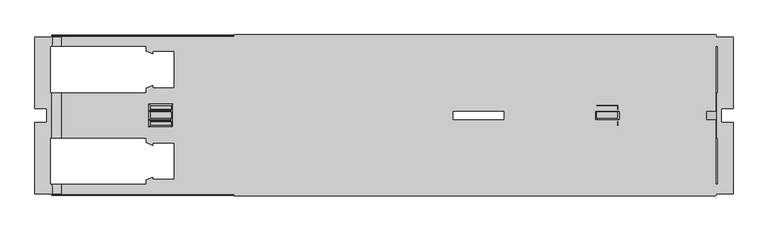
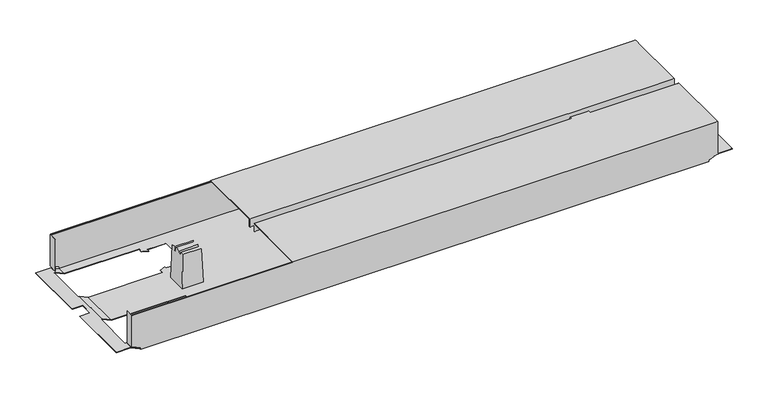
"""IFC4 building model written with IfcOpenShell, lengths in millimetres: furniture geometry."""

from ifc_helpers import new_model, si_unit, origin, place, context, project, spatial, triangles, source, transform, mapped, element, save


def furniture_b12dd6f7(model_context):
    return source(origin(), model_context, "Body", "Tessellation", [
        triangles([(3556.4206634, 4070.0568829, 526.9999909), (3556.4206634, 4070.0568829, 507.9999879), (4584.4205607, 4070.0568829, 526.9999909), (4584.4205607, 4070.0568829, 507.9999879), (3556.4206634, 3908.9568779, 526.9999909), (4584.4205607, 3908.9568779, 526.9999909), (3556.4206634, 3908.9568779, 507.9999879), (4584.4205607, 3908.9568779, 507.9999879), (3556.4206634, 3907.9568845, 507.9999879), (4584.4205607, 3907.9568845, 507.9999879), (3556.4206634, 3907.9568845, 528.0000026), (4584.4205607, 3907.9568845, 528.0000026), (3556.4206634, 4071.0568854, 528.0000026), (4584.4205607, 4071.0568854, 528.0000026), (3556.4206634, 4071.0568854, 507.9999879), (4584.4205607, 4071.0568854, 507.9999879), (3556.4206634, 3888.1568939, 526.9999909), (3556.4206634, 3888.1568939, 507.9999879), (4584.4205607, 3888.1568939, 526.9999909), (4584.4205607, 3888.1568939, 507.9999879), (3556.4206634, 3727.0568799, 526.9999909), (4584.4205607, 3727.0568799, 526.9999909), (3556.4206634, 3727.0568799, 507.9999879), (4584.4205607, 3727.0568799, 507.9999879), (3556.4206634, 3726.0568683, 507.9999879), (4584.4205607, 3726.0568683, 507.9999879), (3556.4206634, 3726.0568683, 528.0000026), (4584.4205607, 3726.0568683, 528.0000026), (3556.4206634, 3889.1568692, 528.0000026), (4584.4205607, 3889.1568692, 528.0000026), (3556.4206634, 3889.1568692, 507.9999879), (4584.4205607, 3889.1568692, 507.9999879), (3188.9205661, 3727.0568799, 432.000012), (4563.9206492, 3727.0568799, 432.000012), (3188.9205661, 3727.0568799, 435.9999859), (4563.9206492, 3727.0568799, 435.9999859), (3168.9206241, 3727.0568799, 445.3260155), (4583.9205913, 3727.0568799, 445.3260155), (3168.9206241, 3727.0568799, 526.0000156), (4583.9205913, 3727.0568799, 526.0000156), (4585.9204692, 3727.0568799, 445.3260155), (4585.9204692, 3727.0568799, 526.0000156), (3166.9206008, 3727.0568799, 526.0000156), (3166.9206008, 3727.0568799, 445.3260155), (4133.5204669, 3937.7568824, 432.000012), (4323.8204791, 3839.7568685, 432.000012), (4133.5204669, 3859.3568713, 432.000012), (4323.8204791, 3761.3568938, 432.000012), (4073.3206531, 3848.5568765, 432.000012), (3429.0205909, 3761.3568938, 432.000012), (4023.3205073, 3848.5568765, 432.000012), (3429.0205909, 3839.7568685, 432.000012), (3429.0205909, 3957.3568851, 432.000012), (3368.8206317, 3946.5568903, 432.000012), (3382.6206614, 3957.3568851, 432.000012), (3368.8206317, 3956.8408738, 432.000012), (3382.6206614, 3962.5568766, 432.000012), (4087.1206828, 3937.7568824, 432.000012), (4073.3206531, 3948.5568772, 432.000012), (4323.8204791, 4035.756878, 432.000012), (4323.8204791, 3957.3568851, 432.000012), (4087.1206828, 3932.5568727, 432.000012), (4073.3206531, 3938.1748801, 432.000012), (3429.0205909, 4035.756878, 432.000012), (4023.3205073, 3948.5568772, 432.000012), (4087.1206828, 3859.3568713, 432.000012), (4073.3206531, 3858.9388736, 432.000012), (4087.1206828, 3864.5568809, 432.000012), (3368.8206317, 3750.556899, 432.000012), (4384.0205836, 3750.556899, 432.000012), (4563.9206492, 3730.5568843, 432.000012), (4564.9205882, 3750.556899, 432.000012), (4564.9205882, 3730.5568843, 432.000012), (3188.9205661, 3730.5568843, 432.000012), (3187.9206271, 3750.556899, 432.000012), (3187.9206271, 3730.5568843, 432.000012), (3368.8206317, 3760.8408643, 432.000012), (3382.6206614, 3761.3568938, 432.000012), (4370.2205539, 3761.3568938, 432.000012), (3382.6206614, 3766.5568671, 432.000012), (3368.8206317, 3850.5568634, 432.000012), (3382.6206614, 3839.7568685, 432.000012), (3368.8206317, 3840.2728981, 432.000012), (3382.6206614, 3834.5568952, 432.000012), (3187.9206271, 3850.5568634, 432.000012), (3187.9206271, 3946.5568903, 432.000012), (3382.6206614, 4035.756878, 432.000012), (3368.8206317, 4046.556882, 432.000012), (4384.0205836, 4046.556882, 432.000012), (4370.2205539, 4035.756878, 432.000012), (4384.0205836, 4036.2728894, 432.000012), (4370.2205539, 4030.5568866, 432.000012), (3382.6206614, 4030.5568866, 432.000012), (3368.8206317, 4036.2728894, 432.000012), (3187.9206271, 4046.556882, 432.000012), (3188.9205661, 4066.5568785, 432.000012), (3188.9205661, 4070.0568829, 432.000012), (4563.9206492, 4070.0568829, 432.000012), (3187.9206271, 4066.5568785, 432.000012), (4563.9206492, 4066.5568785, 432.000012), (4564.9205882, 4046.556882, 432.000012), (4564.9205882, 4066.5568785, 432.000012), (4370.2205539, 3957.3568851, 432.000012), (4384.0205836, 3946.5568903, 432.000012), (4384.0205836, 3850.5568634, 432.000012), (4370.2205539, 3839.7568685, 432.000012), (4384.0205836, 3840.2728981, 432.000012), (4370.2205539, 3834.5568952, 432.000012), (4370.2205539, 3962.5568766, 432.000012), (4384.0205836, 3956.8408738, 432.000012), (4564.9205882, 3946.5568903, 432.000012), (4564.9205882, 3850.5568634, 432.000012), (4370.2205539, 3766.5568671, 432.000012), (4384.0205836, 3760.8408643, 432.000012), (4133.5204669, 3859.3568713, 432.9999873), (4323.8204791, 3957.3568851, 432.9999873), (4133.5204669, 3937.7568824, 432.9999873), (4323.8204791, 4035.756878, 432.9999873), (4073.3206531, 3948.5568772, 432.9999873), (3429.0205909, 4035.756878, 432.9999873), (4023.3205073, 3948.5568772, 432.9999873), (3429.0205909, 3957.3568851, 432.9999873), (3429.0205909, 3839.7568685, 432.9999873), (3368.8206317, 3850.5568634, 432.9999873), (3382.6206614, 3839.7568685, 432.9999873), (3368.8206317, 3840.2728981, 432.9999873), (3382.6206614, 3834.5568952, 432.9999873), (4087.1206828, 3859.3568713, 432.9999873), (4073.3206531, 3848.5568765, 432.9999873), (4323.8204791, 3761.3568938, 432.9999873), (4323.8204791, 3839.7568685, 432.9999873), (4087.1206828, 3864.5568809, 432.9999873), (4073.3206531, 3858.9388736, 432.9999873), (3429.0205909, 3761.3568938, 432.9999873), (4023.3205073, 3848.5568765, 432.9999873), (4087.1206828, 3937.7568824, 432.9999873), (4073.3206531, 3938.1748801, 432.9999873), (4087.1206828, 3932.5568727, 432.9999873), (4564.6985087, 4046.556882, 432.9999873), (4563.9206492, 4066.5568785, 432.9999873), (4384.0205836, 4046.556882, 432.9999873), (4563.9206492, 4069.0568803, 432.9999873), (3368.8206317, 4046.556882, 432.9999873), (3188.9205661, 4069.0568803, 432.9999873), (3188.9205661, 4066.5568785, 432.9999873), (4564.6985087, 4066.5568785, 432.9999873), (3188.1425612, 4066.5568785, 432.9999873), (3188.1425612, 4046.556882, 432.9999873), (3368.8206317, 4036.2728894, 432.9999873), (3382.6206614, 4035.756878, 432.9999873), (4370.2205539, 4035.756878, 432.9999873), (3382.6206614, 4030.5568866, 432.9999873), (3368.8206317, 3946.5568903, 432.9999873), (3382.6206614, 3957.3568851, 432.9999873), (3368.8206317, 3956.8408738, 432.9999873), (3382.6206614, 3962.5568766, 432.9999873), (3188.1425612, 3946.5568903, 432.9999873), (3188.1425612, 3850.5568634, 432.9999873), (3382.6206614, 3761.3568938, 432.9999873), (3368.8206317, 3750.556899, 432.9999873), (4384.0205836, 3750.556899, 432.9999873), (4370.2205539, 3761.3568938, 432.9999873), (4384.0205836, 3760.8408643, 432.9999873), (4370.2205539, 3766.5568671, 432.9999873), (3382.6206614, 3766.5568671, 432.9999873), (3368.8206317, 3760.8408643, 432.9999873), (3188.1425612, 3750.556899, 432.9999873), (3188.9205661, 3730.5568843, 432.9999873), (3188.9205661, 3728.0568915, 432.9999873), (4563.9206492, 3728.0568915, 432.9999873), (3188.1425612, 3730.5568843, 432.9999873), (4563.9206492, 3730.5568843, 432.9999873), (4564.6985087, 3750.556899, 432.9999873), (4564.6985087, 3730.5568843, 432.9999873), (4370.2205539, 3839.7568685, 432.9999873), (4384.0205836, 3850.5568634, 432.9999873), (4384.0205836, 3946.5568903, 432.9999873), (4370.2205539, 3957.3568851, 432.9999873), (4384.0205836, 3956.8408738, 432.9999873), (4370.2205539, 3962.5568766, 432.9999873), (4370.2205539, 3834.5568952, 432.9999873), (4384.0205836, 3840.2728981, 432.9999873), (4564.6985087, 3850.5568634, 432.9999873), (4564.6985087, 3946.5568903, 432.9999873), (4370.2205539, 4030.5568866, 432.9999873), (4384.0205836, 4036.2728894, 432.9999873), (3188.9205661, 3728.0568915, 435.9999859), (4563.9206492, 3728.0568915, 435.9999859), (3168.9206241, 3728.0568915, 445.3260155), (4583.9205913, 3728.0568915, 445.3260155), (4583.9205913, 3728.0568915, 511.9999981), (4584.9205302, 3728.0568915, 445.3260155), (4584.9205302, 3728.0568915, 526.0000156), (4583.9205913, 3728.0568915, 526.0000156), (3168.9206241, 3728.0568915, 511.9999981), (3167.9205398, 3728.0568915, 445.3260155), (3167.9205398, 3728.0568915, 526.0000156), (3168.9206241, 3728.0568915, 526.0000156), (3168.9206241, 4068.0568778, 526.0000156), (4583.9205913, 4068.0568778, 526.0000156), (3168.9206241, 4068.3498831, 526.7069856), (4583.9205913, 4068.3498831, 526.7069856), (3168.9206241, 4069.0568803, 526.9999909), (4583.9205913, 4069.0568803, 526.9999909), (3168.9206241, 4069.7638775, 526.7069856), (4583.9205913, 4069.7638775, 526.7069856), (3168.9206241, 4070.0568829, 526.0000156), (4583.9205913, 4070.0568829, 526.0000156), (3168.9206241, 4068.0568778, 511.9999981), (4583.9205913, 4068.0568778, 511.9999981), (3168.9206241, 4069.0568803, 511.9999981), (4583.9205913, 4069.0568803, 511.9999981), (3168.9206241, 3729.0568668, 511.9999981), (4583.9205913, 3729.0568668, 511.9999981), (3168.9206241, 3729.0568668, 526.0000156), (4583.9205913, 3729.0568668, 526.0000156), (3168.9206241, 3727.3498853, 526.7069856), (4583.9205913, 3727.3498853, 526.7069856), (3168.9206241, 3728.0568915, 526.9999909), (4583.9205913, 3728.0568915, 526.9999909), (3168.9206241, 3728.7638978, 526.7069856), (4583.9205913, 3728.7638978, 526.7069856), (3168.9206241, 4070.0568829, 445.3260155), (3166.9206008, 4070.0568829, 445.3260155), (3166.9206008, 4070.0568829, 526.0000156), (4583.9205913, 4070.0568829, 445.3260155), (4585.9204692, 4070.0568829, 526.0000156), (4585.9204692, 4070.0568829, 445.3260155), (3188.9205661, 4070.0568829, 435.9999859), (4563.9206492, 4070.0568829, 435.9999859), (4583.9205913, 4069.0568803, 445.3260155), (3168.9206241, 4069.0568803, 445.3260155), (4563.9206492, 4069.0568803, 435.9999859), (3188.9205661, 4069.0568803, 435.9999859), (4584.9205302, 4069.0568803, 445.3260155), (4584.9205302, 4069.0568803, 526.0000156), (4583.9205913, 4069.0568803, 526.0000156), (3167.9205398, 4069.0568803, 445.3260155), (3167.9205398, 4069.0568803, 526.0000156), (3168.9206241, 4069.0568803, 526.0000156), (4586.3655002, 3850.5568634, 441.999983), (4586.3655002, 3946.5568903, 441.999983), (4589.0205707, 3850.5568634, 441.999983), (4589.0205707, 3946.5568903, 441.999983), (4596.9206698, 3913.5568879, 441.999983), (4589.0205707, 4046.556882, 441.999983), (4621.9205974, 4066.5568785, 441.999983), (4586.3655002, 4066.5568785, 441.999983), (4586.3655002, 4046.556882, 441.999983), (4621.9205974, 3913.5568879, 441.999983), (4596.9206698, 3883.556884, 441.999983), (4589.0205707, 3750.556899, 441.999983), (4621.9205974, 3730.5568843, 441.999983), (4586.3655002, 3730.5568843, 441.999983), (4621.9205974, 3883.556884, 441.999983), (4586.3655002, 3750.556899, 441.999983), (4589.0205707, 3850.5568634, 442.9999947), (4589.0205707, 3750.556899, 442.9999947), (4586.1437114, 3946.5568903, 442.9999947), (4586.1437114, 3850.5568634, 442.9999947), (4589.0205707, 4046.556882, 442.9999947), (4589.0205707, 3946.5568903, 442.9999947), (4596.9206698, 3913.5568879, 442.9999947), (4621.9205974, 4066.5568785, 442.9999947), (4586.1437114, 4066.5568785, 442.9999947), (4596.9206698, 3883.556884, 442.9999947), (4621.9205974, 3730.5568843, 442.9999947), (4586.1437114, 3730.5568843, 442.9999947), (4586.1437114, 3750.556899, 442.9999947), (4621.9205974, 3883.556884, 442.9999947), (4621.9205974, 3913.5568879, 442.9999947), (4586.1437114, 4046.556882, 442.9999947), (4584.9205302, 4050.0568773, 526.0000156), (4584.9205302, 4050.0568773, 445.3260155), (4585.9204692, 4050.0568773, 445.3260155), (4585.9204692, 4050.0568773, 526.0000156), (4584.9205302, 3747.0568946, 445.3260155), (4584.9205302, 3747.0568946, 526.0000156), (4585.9204692, 3747.0568946, 445.3260155), (4585.9204692, 3747.0568946, 526.0000156), (3166.9206008, 3747.0568946, 526.0000156), (3166.9206008, 3747.0568946, 445.3260155), (3167.9205398, 3747.0568946, 526.0000156), (3167.9205398, 3747.0568946, 445.3260155), (3166.9206008, 4050.0568773, 445.3260155), (3166.9206008, 4050.0568773, 526.0000156), (3167.9205398, 4050.0568773, 445.3260155), (3167.9205398, 4050.0568773, 526.0000156), (3166.6976493, 3946.5568903, 442.9999947), (3166.6976493, 3850.5568634, 442.9999947), (3166.4755698, 3850.5568634, 441.999983), (3166.4755698, 3946.5568903, 441.999983), (3163.8206447, 3750.556899, 441.999983), (3155.9205455, 3883.556884, 441.999983), (3163.8206447, 3850.5568634, 441.999983), (3155.9205455, 3913.5568879, 441.999983), (3163.8206447, 3946.5568903, 441.999983), (3163.8206447, 4046.556882, 441.999983), (3130.920618, 4066.5568785, 441.999983), (3166.4755698, 4066.5568785, 441.999983), (3166.4755698, 3750.556899, 441.999983), (3166.4755698, 3730.5568843, 441.999983), (3130.920618, 3730.5568843, 441.999983), (3130.920618, 3883.556884, 441.999983), (3130.920618, 3913.5568879, 441.999983), (3166.4755698, 4046.556882, 441.999983), (3130.920618, 3883.556884, 442.9999947), (3130.920618, 3730.5568843, 442.9999947), (3155.9205455, 3883.556884, 442.9999947), (3163.8206447, 3750.556899, 442.9999947), (3163.8206447, 3850.5568634, 442.9999947), (3166.6976493, 3730.5568843, 442.9999947), (3166.6976493, 3750.556899, 442.9999947), (3163.8206447, 3946.5568903, 442.9999947), (3155.9205455, 3913.5568879, 442.9999947), (3163.8206447, 4046.556882, 442.9999947), (3130.920618, 4066.5568785, 442.9999947), (3166.6976493, 4066.5568785, 442.9999947), (3166.6976493, 4046.556882, 442.9999947), (3130.920618, 3913.5568879, 442.9999947), (4375.9524714, 3891.6558809, 519.5000127), (4376.301578, 3889.656875, 509.5000053), (4375.9524714, 3905.4578728, 519.5000127), (4376.301578, 3907.4568786, 509.5000053), (4378.9206042, 3874.0568825, 433.4999931), (4378.9206042, 3923.0568894, 433.4999931), (4376.301578, 3887.6568881, 509.5000053), (4375.9876437, 3876.9898793, 518.500001), (4375.9876437, 3885.85787, 518.500001), (4376.301578, 3909.4568838, 509.5000053), (4375.9876437, 3920.1238744, 518.500001), (4375.9876437, 3911.2558837, 518.500001), (4330.8886523, 3891.6558809, 519.5000127), (4330.8886523, 3905.4578728, 519.5000127), (4330.5395457, 3889.656875, 509.5000053), (4330.5395457, 3907.4568786, 509.5000053), (4327.9205195, 3874.0568825, 433.4999931), (4327.9205195, 3923.0568894, 433.4999931), (4330.5395457, 3909.4568838, 509.5000053), (4330.8534801, 3920.1238744, 518.500001), (4330.8534801, 3911.2558837, 518.500001), (4330.5395457, 3887.6568881, 509.5000053), (4330.8534801, 3876.9898793, 518.500001), (4330.8534801, 3885.85787, 518.500001), (3421.952563, 3891.6558809, 519.5000127), (3422.3015243, 3889.656875, 509.5000053), (3421.952563, 3905.4578728, 519.5000127), (3422.3015243, 3907.4568786, 509.5000053), (3424.9205504, 3874.0568825, 433.4999931), (3424.9205504, 3923.0568894, 433.4999931), (3422.3015243, 3887.6568881, 509.5000053), (3421.9875899, 3876.9898793, 518.500001), (3421.9875899, 3885.85787, 518.500001), (3422.3015243, 3909.4568838, 509.5000053), (3421.9875899, 3920.1238744, 518.500001), (3421.9875899, 3911.2558837, 518.500001), (3376.8885985, 3891.6558809, 519.5000127), (3376.8885985, 3905.4578728, 519.5000127), (3376.5396373, 3889.656875, 509.5000053), (3376.5396373, 3907.4568786, 509.5000053), (3373.9206111, 3874.0568825, 433.4999931), (3373.9206111, 3923.0568894, 433.4999931), (3376.5396373, 3909.4568838, 509.5000053), (3376.8535716, 3920.1238744, 518.500001), (3376.8535716, 3911.2558837, 518.500001), (3376.5396373, 3887.6568881, 509.5000053), (3376.8535716, 3876.9898793, 518.500001), (3376.8535716, 3885.85787, 518.500001)], [[1, 2, 3], [3, 2, 4], [5, 1, 6], [6, 1, 3], [7, 5, 8], [8, 5, 6], [9, 7, 10], [10, 7, 8], [11, 9, 12], [12, 9, 10], [13, 11, 14], [14, 11, 12], [15, 13, 16], [16, 13, 14], [2, 15, 4], [4, 15, 16], [2, 1, 15], [15, 1, 13], [13, 1, 5], [13, 5, 11], [11, 5, 9], [9, 5, 7], [4, 16, 3], [14, 3, 16], [6, 3, 14], [12, 6, 14], [10, 6, 12], [10, 8, 6], [17, 18, 19], [19, 18, 20], [21, 17, 22], [22, 17, 19], [23, 21, 24], [24, 21, 22], [25, 23, 26], [26, 23, 24], [27, 25, 28], [28, 25, 26], [29, 27, 30], [30, 27, 28], [31, 29, 32], [32, 29, 30], [18, 31, 20], [20, 31, 32], [18, 17, 31], [31, 17, 29], [29, 17, 21], [29, 21, 27], [27, 21, 25], [25, 21, 23], [20, 32, 19], [30, 19, 32], [22, 19, 30], [28, 22, 30], [26, 22, 28], [26, 24, 22], [33, 34, 35], [35, 34, 36], [37, 35, 36], [37, 36, 38], [37, 38, 39], [39, 38, 40], [40, 38, 41], [40, 41, 42], [39, 43, 37], [37, 43, 44], [45, 46, 47], [47, 46, 48], [49, 47, 48], [50, 49, 48], [49, 50, 51], [51, 50, 52], [51, 52, 53], [53, 52, 54], [53, 54, 55], [55, 54, 56], [57, 55, 56], [45, 58, 59], [60, 45, 59], [45, 60, 61], [62, 63, 58], [58, 63, 59], [60, 59, 64], [64, 59, 65], [64, 65, 53], [53, 65, 51], [47, 49, 66], [66, 49, 67], [68, 66, 67], [33, 69, 34], [34, 69, 70], [34, 70, 71], [71, 70, 72], [71, 72, 73], [33, 74, 69], [69, 74, 75], [75, 74, 76], [69, 77, 78], [69, 78, 50], [69, 50, 70], [70, 50, 48], [70, 48, 79], [77, 80, 78], [54, 52, 81], [81, 52, 82], [81, 82, 83], [83, 82, 84], [85, 86, 81], [81, 86, 54], [64, 87, 88], [89, 64, 88], [64, 89, 60], [60, 89, 90], [90, 89, 91], [92, 90, 91], [93, 94, 87], [87, 94, 88], [95, 96, 88], [88, 96, 97], [98, 88, 97], [95, 99, 96], [88, 98, 89], [89, 98, 100], [89, 100, 101], [101, 100, 102], [61, 103, 104], [61, 104, 105], [61, 105, 46], [46, 105, 106], [106, 105, 107], [108, 106, 107], [109, 110, 103], [103, 110, 104], [111, 112, 104], [104, 112, 105], [113, 114, 79], [79, 114, 70], [45, 61, 46], [115, 116, 117], [117, 116, 118], [119, 117, 118], [120, 119, 118], [119, 120, 121], [121, 120, 122], [121, 122, 123], [123, 122, 124], [123, 124, 125], [125, 124, 126], [127, 125, 126], [115, 128, 129], [130, 115, 129], [115, 130, 131], [132, 133, 128], [128, 133, 129], [130, 129, 134], [134, 129, 135], [134, 135, 123], [123, 135, 121], [117, 119, 136], [136, 119, 137], [138, 136, 137], [139, 140, 141], [141, 140, 142], [143, 141, 142], [144, 143, 142], [143, 144, 145], [139, 146, 140], [147, 148, 145], [145, 148, 143], [143, 149, 150], [143, 150, 120], [143, 120, 141], [141, 120, 118], [141, 118, 151], [149, 152, 150], [124, 122, 153], [153, 122, 154], [153, 154, 155], [155, 154, 156], [157, 158, 153], [153, 158, 124], [134, 159, 160], [161, 134, 160], [134, 161, 130], [130, 161, 162], [162, 161, 163], [164, 162, 163], [165, 166, 159], [159, 166, 160], [167, 168, 160], [160, 168, 169], [170, 160, 169], [167, 171, 168], [160, 170, 161], [161, 170, 172], [161, 172, 173], [173, 172, 174], [131, 175, 176], [131, 176, 177], [131, 177, 116], [116, 177, 178], [178, 177, 179], [180, 178, 179], [181, 182, 175], [175, 182, 176], [183, 184, 176], [176, 184, 177], [185, 186, 151], [151, 186, 141], [115, 131, 116], [169, 187, 170], [170, 187, 188], [188, 187, 189], [190, 188, 189], [190, 189, 191], [190, 191, 192], [192, 191, 193], [193, 191, 194], [191, 189, 195], [195, 189, 196], [197, 195, 196], [197, 198, 195], [199, 200, 201], [201, 200, 202], [201, 202, 203], [203, 202, 204], [203, 204, 205], [205, 204, 206], [205, 206, 207], [207, 206, 208], [209, 210, 199], [199, 210, 200], [211, 212, 209], [209, 212, 210], [213, 214, 195], [195, 214, 191], [215, 216, 213], [213, 216, 214], [39, 40, 217], [217, 40, 218], [217, 218, 219], [219, 218, 220], [219, 220, 221], [221, 220, 222], [221, 222, 215], [215, 222, 216], [208, 223, 207], [207, 223, 224], [207, 224, 225], [223, 208, 226], [226, 208, 227], [226, 227, 228], [223, 226, 229], [229, 226, 230], [229, 230, 97], [97, 230, 98], [231, 232, 233], [233, 232, 234], [233, 234, 144], [232, 231, 212], [212, 231, 235], [236, 212, 235], [236, 237, 212], [212, 211, 232], [232, 211, 238], [238, 211, 239], [239, 211, 240], [144, 142, 233], [45, 47, 117], [117, 47, 115], [47, 66, 115], [115, 66, 128], [133, 132, 67], [67, 132, 68], [67, 49, 133], [133, 49, 129], [49, 51, 129], [129, 51, 135], [58, 45, 136], [136, 45, 117], [137, 119, 63], [63, 119, 59], [63, 62, 137], [137, 62, 138], [65, 59, 121], [121, 59, 119], [62, 58, 138], [138, 58, 136], [51, 65, 135], [135, 65, 121], [132, 128, 68], [68, 128, 66], [46, 106, 131], [131, 106, 175], [106, 108, 175], [175, 108, 181], [48, 46, 130], [130, 46, 131], [108, 107, 181], [181, 107, 182], [107, 105, 182], [182, 105, 176], [70, 114, 161], [161, 114, 163], [114, 113, 163], [163, 113, 164], [113, 79, 164], [164, 79, 162], [79, 48, 162], [162, 48, 130], [109, 103, 180], [180, 103, 178], [103, 61, 178], [178, 61, 116], [104, 110, 177], [177, 110, 179], [110, 109, 179], [179, 109, 180], [61, 60, 116], [116, 60, 118], [60, 90, 118], [118, 90, 151], [91, 89, 186], [186, 89, 141], [186, 185, 91], [91, 185, 92], [185, 151, 92], [92, 151, 90], [241, 242, 243], [243, 242, 244], [243, 244, 245], [245, 244, 246], [245, 246, 247], [247, 246, 248], [248, 246, 249], [247, 250, 245], [245, 251, 243], [252, 243, 251], [253, 252, 251], [252, 253, 254], [251, 255, 253], [254, 256, 252], [243, 252, 257], [257, 252, 258], [111, 242, 112], [112, 242, 241], [259, 184, 260], [260, 184, 183], [246, 244, 261], [261, 244, 262], [260, 257, 259], [259, 257, 262], [262, 257, 263], [261, 262, 263], [264, 261, 263], [261, 264, 265], [263, 257, 266], [266, 257, 258], [266, 258, 267], [267, 258, 268], [268, 258, 269], [267, 270, 266], [263, 271, 264], [265, 272, 261], [273, 236, 274], [274, 236, 235], [275, 228, 276], [276, 228, 227], [102, 248, 101], [101, 248, 249], [265, 146, 272], [272, 146, 139], [264, 271, 247], [247, 271, 250], [271, 263, 250], [250, 263, 245], [270, 267, 255], [255, 267, 253], [255, 251, 270], [270, 251, 266], [263, 266, 245], [245, 266, 251], [72, 256, 73], [73, 256, 254], [174, 268, 173], [173, 268, 269], [277, 192, 278], [278, 192, 193], [277, 278, 279], [279, 278, 280], [41, 279, 42], [42, 279, 280], [277, 279, 192], [41, 192, 279], [192, 41, 38], [38, 190, 192], [275, 276, 274], [274, 276, 273], [81, 83, 124], [124, 83, 126], [83, 84, 126], [126, 84, 127], [82, 52, 125], [125, 52, 123], [52, 50, 123], [123, 50, 134], [50, 78, 134], [134, 78, 159], [166, 165, 77], [77, 165, 80], [77, 69, 166], [166, 69, 160], [78, 80, 159], [159, 80, 165], [84, 82, 127], [127, 82, 125], [53, 55, 122], [122, 55, 154], [55, 57, 154], [154, 57, 156], [57, 56, 156], [156, 56, 155], [152, 149, 93], [93, 149, 94], [93, 87, 152], [152, 87, 150], [87, 64, 150], [150, 64, 120], [88, 94, 143], [143, 94, 149], [56, 54, 155], [155, 54, 153], [64, 53, 120], [120, 53, 122], [43, 281, 44], [44, 281, 282], [283, 197, 284], [284, 197, 196], [224, 285, 225], [225, 285, 286], [287, 285, 238], [224, 238, 285], [223, 238, 224], [223, 232, 238], [239, 288, 238], [238, 288, 287], [157, 289, 158], [158, 289, 290], [85, 291, 86], [86, 291, 292], [293, 294, 295], [295, 294, 296], [295, 296, 297], [298, 297, 296], [299, 298, 296], [298, 299, 300], [301, 302, 293], [293, 302, 303], [294, 293, 303], [294, 303, 304], [296, 305, 299], [300, 306, 298], [297, 292, 295], [295, 292, 291], [307, 308, 309], [309, 308, 310], [309, 310, 311], [308, 312, 310], [310, 312, 313], [290, 289, 311], [311, 289, 314], [311, 314, 315], [315, 314, 316], [315, 316, 317], [317, 316, 318], [318, 316, 319], [317, 320, 315], [315, 309, 311], [297, 298, 314], [314, 298, 316], [293, 295, 310], [310, 295, 311], [283, 284, 281], [281, 284, 282], [312, 171, 313], [313, 171, 167], [143, 148, 88], [88, 148, 95], [95, 148, 306], [319, 306, 148], [306, 319, 316], [316, 298, 306], [145, 96, 147], [147, 96, 99], [300, 147, 99], [299, 317, 300], [318, 300, 317], [147, 300, 318], [140, 100, 142], [98, 142, 100], [230, 142, 98], [230, 233, 142], [248, 102, 146], [146, 102, 100], [146, 100, 140], [146, 265, 248], [264, 248, 265], [248, 264, 247], [177, 184, 104], [104, 184, 111], [111, 184, 242], [259, 242, 184], [242, 259, 262], [262, 244, 242], [257, 260, 241], [183, 241, 260], [241, 183, 112], [112, 183, 105], [105, 183, 176], [241, 243, 257], [161, 173, 70], [70, 173, 72], [72, 173, 256], [269, 256, 173], [256, 269, 258], [258, 252, 256], [267, 268, 254], [174, 254, 268], [254, 174, 73], [73, 174, 71], [71, 174, 172], [254, 253, 267], [168, 74, 169], [33, 169, 74], [35, 169, 33], [35, 187, 169], [95, 306, 99], [99, 306, 300], [76, 302, 75], [75, 302, 301], [147, 318, 148], [148, 318, 319], [297, 314, 292], [292, 314, 289], [157, 292, 289], [153, 54, 157], [86, 157, 54], [292, 157, 86], [293, 310, 301], [301, 310, 313], [167, 301, 313], [160, 69, 167], [75, 167, 69], [301, 167, 75], [312, 302, 171], [76, 171, 302], [171, 76, 74], [312, 308, 302], [302, 308, 303], [74, 168, 171], [304, 303, 307], [307, 303, 308], [307, 309, 304], [304, 309, 294], [309, 315, 294], [294, 315, 296], [315, 320, 296], [296, 320, 305], [320, 317, 305], [305, 317, 299], [124, 158, 81], [81, 158, 85], [85, 158, 291], [290, 291, 158], [291, 290, 311], [311, 295, 291], [35, 37, 187], [187, 37, 189], [189, 37, 196], [44, 196, 37], [282, 196, 44], [282, 284, 196], [283, 281, 197], [43, 197, 281], [39, 197, 43], [39, 198, 197], [39, 217, 198], [198, 217, 219], [198, 219, 221], [221, 215, 198], [195, 198, 213], [213, 198, 215], [214, 216, 191], [191, 216, 194], [216, 222, 194], [194, 222, 220], [194, 220, 218], [218, 40, 194], [194, 40, 193], [193, 40, 42], [280, 193, 42], [280, 278, 193], [38, 36, 190], [190, 36, 188], [188, 36, 170], [34, 170, 36], [71, 170, 34], [71, 172, 170], [246, 261, 249], [249, 261, 272], [139, 249, 272], [141, 89, 139], [101, 139, 89], [249, 139, 101], [230, 226, 233], [233, 226, 231], [231, 226, 235], [228, 235, 226], [275, 235, 228], [275, 274, 235], [273, 276, 236], [227, 236, 276], [208, 236, 227], [208, 237, 236], [208, 206, 237], [237, 206, 204], [237, 204, 202], [202, 200, 237], [212, 237, 210], [210, 237, 200], [209, 199, 211], [211, 199, 240], [199, 201, 240], [240, 201, 203], [240, 203, 205], [205, 207, 240], [240, 207, 239], [225, 239, 207], [286, 239, 225], [286, 288, 239], [286, 285, 288], [288, 285, 287], [223, 229, 232], [232, 229, 234], [234, 229, 144], [97, 144, 229], [96, 144, 97], [96, 145, 144], [323, 321, 322], [323, 322, 324], [324, 322, 325], [324, 325, 326], [322, 327, 325], [325, 327, 328], [328, 327, 329], [324, 326, 330], [331, 330, 326], [330, 331, 332], [335, 333, 334], [335, 334, 336], [337, 335, 336], [337, 336, 338], [338, 336, 339], [338, 339, 340], [340, 339, 341], [335, 337, 342], [343, 342, 337], [342, 343, 344], [321, 323, 333], [333, 323, 334], [322, 321, 333], [322, 333, 335], [334, 323, 324], [334, 324, 336], [324, 330, 336], [336, 330, 339], [330, 332, 341], [330, 341, 339], [332, 331, 341], [341, 331, 340], [340, 331, 326], [340, 326, 338], [327, 322, 342], [342, 322, 335], [344, 329, 327], [344, 327, 342], [328, 329, 343], [343, 329, 344], [325, 328, 343], [325, 343, 337], [326, 325, 338], [338, 325, 337], [347, 345, 346], [347, 346, 348], [348, 346, 349], [348, 349, 350], [346, 351, 349], [349, 351, 352], [352, 351, 353], [348, 350, 354], [355, 354, 350], [354, 355, 356], [359, 357, 358], [359, 358, 360], [361, 359, 360], [361, 360, 362], [362, 360, 363], [362, 363, 364], [364, 363, 365], [359, 361, 366], [367, 366, 361], [366, 367, 368], [345, 347, 357], [357, 347, 358], [346, 345, 357], [346, 357, 359], [358, 347, 348], [358, 348, 360], [348, 354, 360], [360, 354, 363], [354, 356, 365], [354, 365, 363], [356, 355, 365], [365, 355, 364], [364, 355, 350], [364, 350, 362], [351, 346, 366], [366, 346, 359], [368, 353, 351], [368, 351, 366], [352, 353, 367], [367, 353, 368], [349, 352, 367], [349, 367, 361], [350, 349, 362], [362, 349, 361]]),
    ])


if __name__ == "__main__":
    model = new_model("IFC4")
    model_context = context("Model", 3, world=origin())
    ifc_project = project(units=[si_unit("LENGTHUNIT", "METRE", prefix="MILLI")], contexts=[model_context])
    site = spatial("IfcSite", under=ifc_project)
    building = spatial("IfcBuilding", under=site)
    placement = place(None, origin())
    furniture_shape = furniture_b12dd6f7(model_context)
    element("IfcFurniture", 1, at=placement, inside=building, context=model_context, shape_type="MappedRepresentation", body=[
        mapped(furniture_shape, transform((0.0, 0.0, 0.0), x_axis=(1.0, 0.0, 0.0), y_axis=(0.0, 1.0, 0.0), z_axis=(0.0, 0.0, 1.0))),
    ])
    save(model, "model.ifc")
